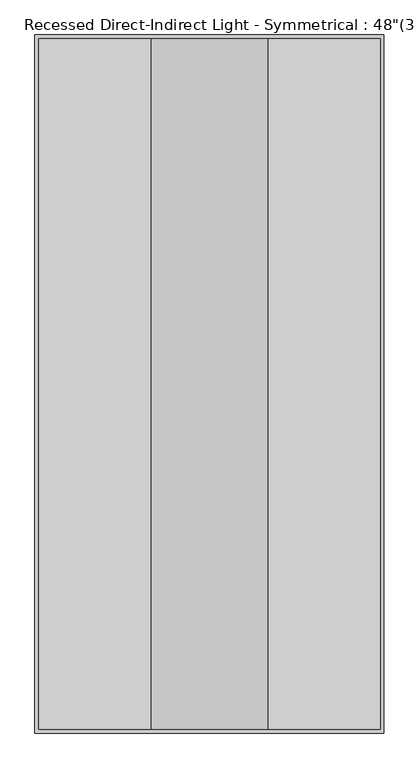
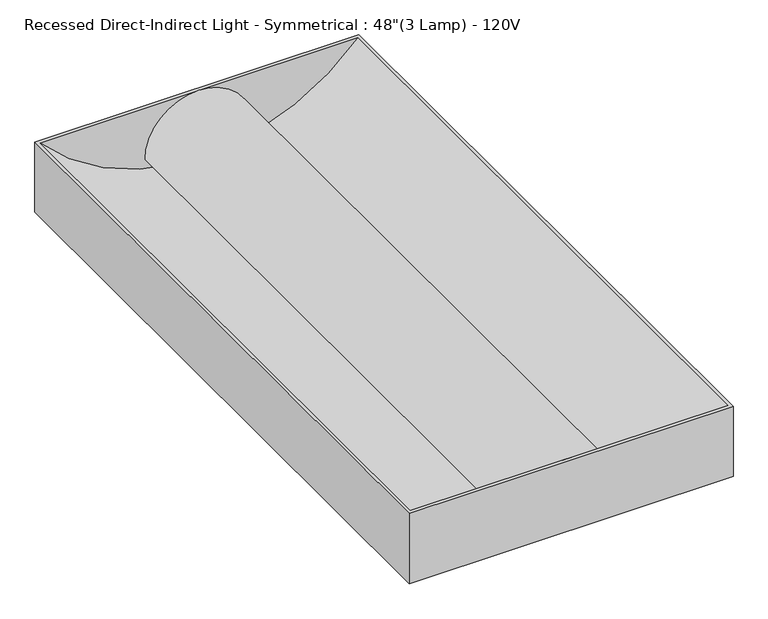
"""IFC4 building model written with IfcOpenShell, lengths in millimetres: light fixture geometry."""

from ifc_helpers import new_model, si_unit, point, frame, frame_2d, origin, place, context, project, spatial, polyline, circle_curve, trimmed, segment, composite_curve, outline, extrude, source, transform, mapped, element, save
from ifc_brep_helpers import plane_surface, revolved_surface, advanced_brep


def light_fixture_84ca9390(model_context):
    return source(origin(), model_context, "Body", "SolidModel", [
        extrude(outline(composite_curve([segment(trimmed(circle_curve(frame_2d((-101.6, 0.0)), 101.6), [point((-101.6, 101.6))], [point((-101.6, -101.6))], False, "CARTESIAN"), True, "CONTINUOUS"), segment(polyline([(-101.6, -101.6), (-101.6, -95.25)]), True, "CONTINUOUS"), segment(trimmed(circle_curve(frame_2d((-101.6, 0.0)), 95.25), [point((-101.6, -95.25))], [point((-101.6, 95.25))], True, "CARTESIAN"), True, "CONTINUOUS"), segment(polyline([(-101.6, 95.25), (-101.6, 101.6)]), True, "CONTINUOUS")], self_intersect=False)), frame((0.0, -603.25, 0.0), z_axis=(0.0, 1.0, 0.0), x_axis=(0.0, 0.0, 1.0)), (0.0, 0.0, 1.0), 1206.5),
        advanced_brep(
        [(304.8, 609.6, 0.0), (-304.8, 609.6, 0.0), (-304.8, -609.6, 0.0), (304.8, -609.6, 0.0), (298.45, -603.25, 0.0), (-298.45, -603.25, 0.0), (-298.45, 603.25, 0.0), (298.45, 603.25, 0.0), (304.8, 609.6, -139.7), (304.8, -609.6, -139.7), (-304.8, -609.6, -139.7), (-304.8, 609.6, -139.7)],
        [
            (0, 1),
            (1, 2),
            (2, 3),
            (3, 0),
            (4, 5),
            (5, 6),
            (6, 7),
            (7, 4),
            (8, 9),
            (9, 10),
            (10, 11),
            (11, 8),
            (0, 8),
            (11, 1),
            (10, 2),
            (9, 3),
            (4, 5, circle_curve(frame((0.0, -603.25, 267.3047619), z_axis=(0.0, 1.0, 0.0), x_axis=(1.0, 0.0, 0.0)), 400.6547619)),
            (6, 7, circle_curve(frame((0.0, 603.25, 267.3047619), z_axis=(0.0, -1.0, 0.0), x_axis=(1.0, 0.0, 0.0)), 400.6547619)),
        ],
        [
            plane_surface(frame((-304.8, 609.6, 0.0), z_axis=(0.0, 0.0, 1.0), x_axis=(-1.0, 0.0, 0.0))),
            plane_surface(frame((-304.8, 609.6, -139.7), z_axis=(0.0, 0.0, -1.0), x_axis=(1.0, 0.0, 0.0))),
            plane_surface(frame((304.8, 609.6, 0.0), z_axis=(0.0, 1.0, 0.0), x_axis=(0.0, 0.0, -1.0))),
            plane_surface(frame((-304.8, 609.6, 0.0), z_axis=(-1.0, 0.0, 0.0), x_axis=(0.0, 0.0, -1.0))),
            plane_surface(frame((-304.8, -609.6, 0.0), z_axis=(0.0, -1.0, 0.0), x_axis=(0.0, 0.0, -1.0))),
            plane_surface(frame((304.8, -609.6, 0.0), z_axis=(1.0, 0.0, 0.0), x_axis=(0.0, 0.0, -1.0))),
            plane_surface(frame((-298.45, -603.25, 0.0), z_axis=(0.0, 1.0, 0.0), x_axis=(-1.0, 0.0, 0.0))),
            plane_surface(frame((-298.45, 603.25, 0.0), z_axis=(0.0, -1.0, 0.0), x_axis=(1.0, 0.0, 0.0))),
            revolved_surface(polyline([(400.6547619, -603.25, 267.3047619), (400.6547619, 603.25, 267.3047619)]), (0.0, 603.25, 267.3047619), (0.0, -1.0, 0.0)),
        ],
        [
            (0, [[1, 2, 3, 4], [5, 6, 7, 8]]),
            (1, [[9, 10, 11, 12]]),
            (2, [[-1, 13, -12, 14]]),
            (3, [[-2, -14, -11, 15]]),
            (4, [[-3, -15, -10, 16]]),
            (5, [[-4, -16, -9, -13]]),
            (6, [[17, -5]]),
            (7, [[18, -7]]),
            (8, [[-17, -8, -18, -6]]),
        ],
    ),
    ])


if __name__ == "__main__":
    model = new_model("IFC4")
    model_context = context("Model", 3, world=origin())
    ifc_project = project(units=[si_unit("LENGTHUNIT", "METRE", prefix="MILLI")], contexts=[model_context])
    site = spatial("IfcSite", under=ifc_project)
    building = spatial("IfcBuilding", under=site)
    placement = place(None, origin())
    light_fixture_shape = light_fixture_84ca9390(model_context)
    element("IfcLightFixture", 1, ObjectType="Recessed Direct-Indirect Light - Symmetrical : 48\"(3 Lamp) - 120V", at=placement, inside=building, context=model_context, shape_type="MappedRepresentation", body=[
        mapped(light_fixture_shape, transform((0.0, 0.0, 0.0), x_axis=(1.0, 0.0, 0.0), y_axis=(0.0, 1.0, 0.0), z_axis=(0.0, 0.0, 1.0))),
    ])
    save(model, "model.ifc")
